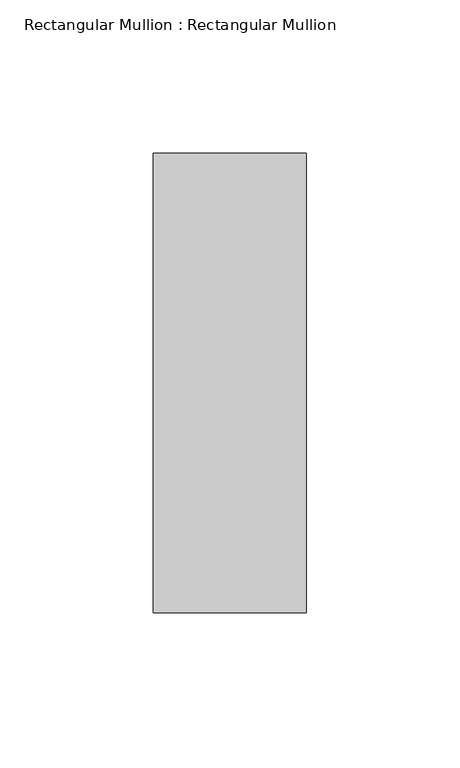
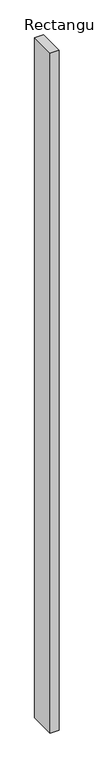
"""IFC4 building model written with IfcOpenShell, lengths in millimetres: member geometry, Rectangular Mullion : Rectangular Mullion."""

from ifc_helpers import new_model, si_unit, frame, origin, place, context, project, spatial, polyline, outline, extrude, source, transform, mapped, element, save


def rectangular_mullion_rectangular_mullion_759756f2(model_context):
    return source(origin(), model_context, "Body", "SweptSolid", [
        extrude(outline(polyline([(0.0, 0.0), (0.0, -150.0), (-50.0, -150.0), (-50.0, 0.0), (0.0, 0.0)])), frame((0.0, 0.0, -4000.0), z_axis=(0.0, 0.0, 1.0), x_axis=(1.0, 0.0, 0.0)), (0.0, 0.0, 1.0), 4000.0),
    ])


if __name__ == "__main__":
    model = new_model("IFC4")
    model_context = context("Model", 3, world=origin())
    ifc_project = project(units=[si_unit("LENGTHUNIT", "METRE", prefix="MILLI")], contexts=[model_context])
    site = spatial("IfcSite", under=ifc_project)
    building = spatial("IfcBuilding", under=site)
    placement = place(None, origin())
    rectangular_mullion_rectangular_mullion_shape = rectangular_mullion_rectangular_mullion_759756f2(model_context)
    element("IfcMember", 1, ObjectType="Rectangular Mullion : Rectangular Mullion", at=placement, inside=building, context=model_context, shape_type="MappedRepresentation", body=[
        mapped(rectangular_mullion_rectangular_mullion_shape, transform((0.0, 0.0, 0.0), x_axis=(1.0, 0.0, 0.0), y_axis=(0.0, 1.0, 0.0), z_axis=(0.0, 0.0, 1.0))),
    ])
    save(model, "model.ifc")
